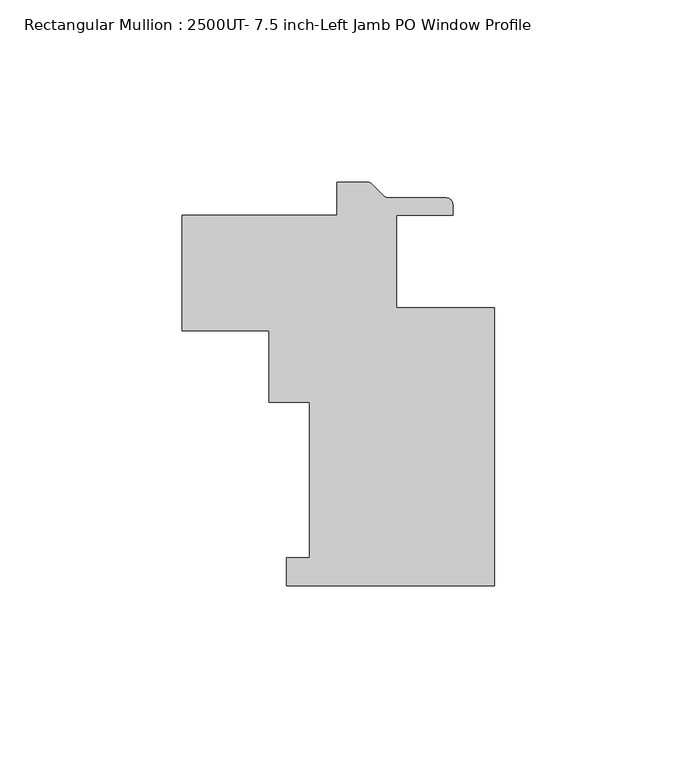
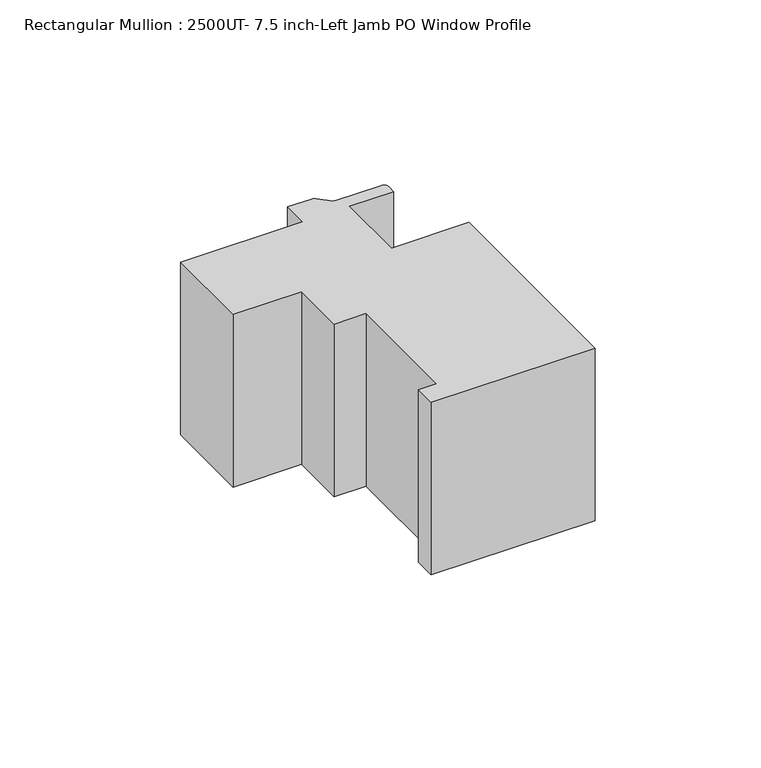
"""IFC4 building model written with IfcOpenShell, lengths in millimetres: member geometry, Rectangular Mullion : 2500UT- 7.5 inch-Left Jamb PO Window Profile."""

from ifc_helpers import new_model, si_unit, point, frame, frame_2d, origin, place, context, project, spatial, polyline, circle_curve, trimmed, segment, composite_curve, outline, extrude, source, transform, mapped, element, save


def rectangular_mullion_2500ut_7_5_inch_left_jamb_po_window_8196deec(model_context):
    return source(origin(), model_context, "Body", "SweptSolid", [
        extrude(outline(composite_curve([segment(polyline([(61.9087917, -88.738075), (4.7587917, -88.738075), (4.7587917, -81.118075), (11.1087917, -81.118075), (11.1087917, -38.414325), (-0.0037083, -38.414325), (-0.0037083, -18.887281), (-23.7998, -18.887281), (-23.7998, 12.862719), (18.6724413, 12.862719), (18.6724413, 21.828125), (27.0362618, 21.828125)]), True, "CONTINUOUS"), segment(trimmed(circle_curve(frame_2d((27.0362618, 20.050125)), 1.778), [point((27.0362618, 21.828125))], [point((28.2934976, 21.3073609))], False, "CARTESIAN"), True, "CONTINUOUS"), segment(polyline([(28.2934976, 21.3073609), (31.5191693, 18.0816891)]), True, "CONTINUOUS"), segment(trimmed(circle_curve(frame_2d((32.7764052, 19.338925)), 1.778), [point((31.5191693, 18.0816891))], [point((32.7764052, 17.560925))], True, "CARTESIAN"), True, "CONTINUOUS"), segment(polyline([(32.7764052, 17.560925), (48.6444413, 17.560925)]), True, "CONTINUOUS"), segment(trimmed(circle_curve(frame_2d((48.6444413, 15.782925)), 1.778), [point((48.6444413, 17.560925))], [point((50.4224413, 15.782925))], False, "CARTESIAN"), True, "CONTINUOUS"), segment(polyline([(50.4224413, 15.782925), (50.4224413, 12.8619249), (34.9212916, 12.8619249), (34.9212916, -12.5380752), (61.9087917, -12.5380752), (61.9087917, -88.738075)]), True, "CONTINUOUS")], self_intersect=False)), frame((0.0, 0.0, -63.5), z_axis=(0.0, 0.0, 1.0), x_axis=(1.0, 0.0, 0.0)), (0.0, 0.0, 1.0), 63.5),
    ])


if __name__ == "__main__":
    model = new_model("IFC4")
    model_context = context("Model", 3, world=origin())
    ifc_project = project(units=[si_unit("LENGTHUNIT", "METRE", prefix="MILLI")], contexts=[model_context])
    site = spatial("IfcSite", under=ifc_project)
    building = spatial("IfcBuilding", under=site)
    placement = place(None, origin())
    rectangular_mullion_2500ut_7_5_inch_left_jamb_po_window_shape = rectangular_mullion_2500ut_7_5_inch_left_jamb_po_window_8196deec(model_context)
    element("IfcMember", 1, ObjectType="Rectangular Mullion : 2500UT- 7.5 inch-Left Jamb PO Window Profile", at=placement, inside=building, context=model_context, shape_type="MappedRepresentation", body=[
        mapped(rectangular_mullion_2500ut_7_5_inch_left_jamb_po_window_shape, transform((0.0, 0.0, 0.0), x_axis=(1.0, 0.0, 0.0), y_axis=(0.0, 1.0, 0.0), z_axis=(0.0, 0.0, 1.0))),
    ])
    save(model, "model.ifc")
